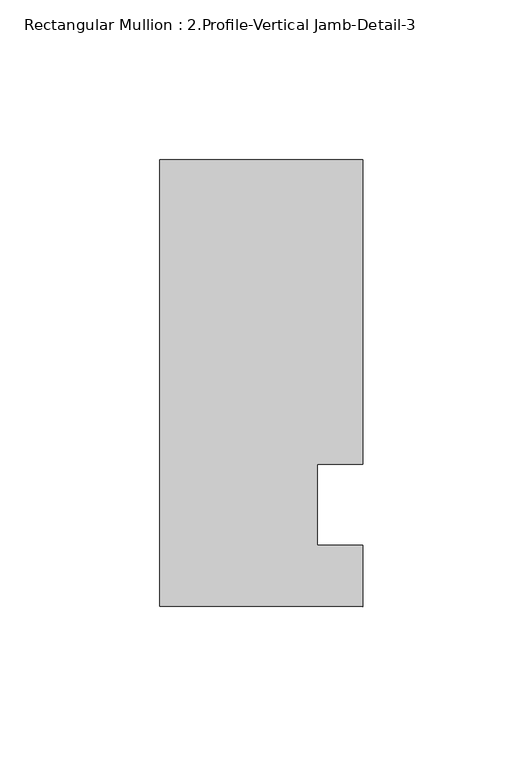
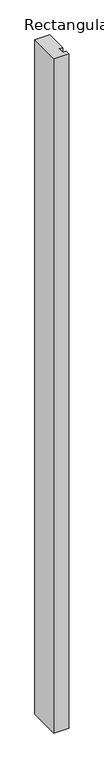
"""IFC4 building model written with IfcOpenShell, lengths in millimetres: member geometry, Rectangular Mullion : 2.Profile-Vertical Jamb-Detail-3."""

from ifc_helpers import new_model, si_unit, frame, origin, place, context, project, spatial, polyline, outline, extrude, source, transform, mapped, element, save


def rectangular_mullion_2_profile_vertical_jamb_detail_3_5c154bc2(model_context):
    return source(origin(), model_context, "Body", "SweptSolid", [
        extrude(outline(polyline([(-0.045974, 47.8376047), (-14.333474, 47.8376301), (-14.333474, 22.4376301), (0.0, 22.4376301), (0.0, 3.2981837), (-63.5, 3.3730885), (-63.545974, 143.0876301), (-0.045974, 143.0876301), (-0.045974, 47.8376047)])), frame((0.0, 0.0, -3048.0), z_axis=(0.0, 0.0, 1.0), x_axis=(1.0, 0.0, 0.0)), (0.0, 0.0, 1.0), 3048.0),
    ])


if __name__ == "__main__":
    model = new_model("IFC4")
    model_context = context("Model", 3, world=origin())
    ifc_project = project(units=[si_unit("LENGTHUNIT", "METRE", prefix="MILLI")], contexts=[model_context])
    site = spatial("IfcSite", under=ifc_project)
    building = spatial("IfcBuilding", under=site)
    placement = place(None, origin())
    rectangular_mullion_2_profile_vertical_jamb_detail_3_shape = rectangular_mullion_2_profile_vertical_jamb_detail_3_5c154bc2(model_context)
    element("IfcMember", 1, ObjectType="Rectangular Mullion : 2.Profile-Vertical Jamb-Detail-3", at=placement, inside=building, context=model_context, shape_type="MappedRepresentation", body=[
        mapped(rectangular_mullion_2_profile_vertical_jamb_detail_3_shape, transform((0.0, 0.0, 0.0), x_axis=(1.0, 0.0, 0.0), y_axis=(0.0, 1.0, 0.0), z_axis=(0.0, 0.0, 1.0))),
    ])
    save(model, "model.ifc")
